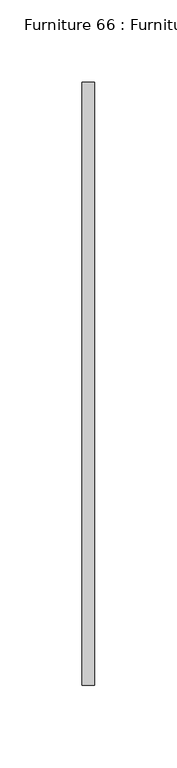
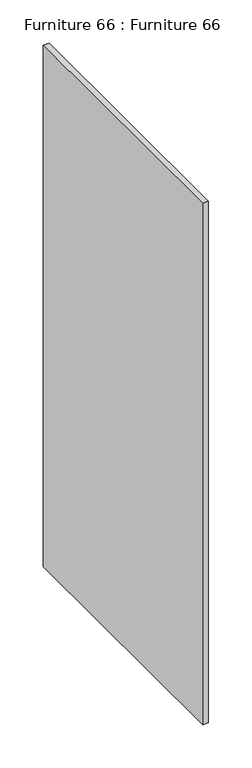
"""IFC4 building model written with IfcOpenShell, lengths in millimetres: furniture geometry, Furniture 66 : Furniture 66."""

from ifc_helpers import new_model, si_unit, frame, origin, place, context, project, spatial, polyline, outline, extrude, source, transform, mapped, element, save


def furniture_66_furniture_66_d7552e22(model_context):
    return source(origin(), model_context, "Body", "SweptSolid", [
        extrude(outline(polyline([(1439.837029, -8494.4629786), (1439.837029, -8128.4996489), (1447.3819848, -8128.4996489), (1447.3819848, -8494.4629786), (1439.837029, -8494.4629786)])), frame((0.0, 0.0, 1317.4365671), z_axis=(0.0, 0.0, 1.0), x_axis=(1.0, 0.0, 0.0)), (0.0, 0.0, 1.0), 731.8648382),
    ])


if __name__ == "__main__":
    model = new_model("IFC4")
    model_context = context("Model", 3, world=origin())
    ifc_project = project(units=[si_unit("LENGTHUNIT", "METRE", prefix="MILLI")], contexts=[model_context])
    site = spatial("IfcSite", under=ifc_project)
    building = spatial("IfcBuilding", under=site)
    placement = place(None, origin())
    furniture_66_furniture_66_shape = furniture_66_furniture_66_d7552e22(model_context)
    element("IfcFurniture", 1, ObjectType="Furniture 66 : Furniture 66", at=placement, inside=building, context=model_context, shape_type="MappedRepresentation", body=[
        mapped(furniture_66_furniture_66_shape, transform((0.0, 0.0, 0.0), x_axis=(1.0, 0.0, 0.0), y_axis=(0.0, 1.0, 0.0), z_axis=(0.0, 0.0, 1.0))),
    ])
    save(model, "model.ifc")
